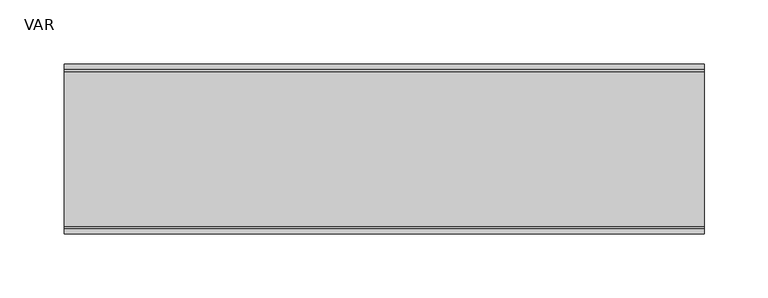
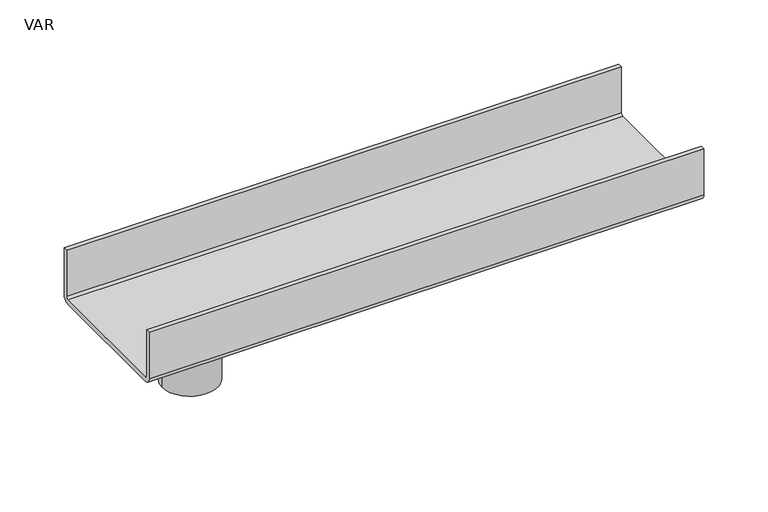
"""IFC4 building model written with IfcOpenShell, lengths in millimetres: sanitary terminal geometry, VAR."""

from ifc_helpers import new_model, si_unit, point, frame, frame_2d, origin, place, context, project, spatial, polyline, circle_curve, trimmed, segment, composite_curve, outline, extrude, source, transform, mapped, element, save


def var_151c0c0e(model_context):
    return source(origin(), model_context, "Body", "SweptSolid", [
        extrude(outline(composite_curve([segment(trimmed(circle_curve(frame_2d((60.5, -44.0)), 6.0), [point((66.5, -44.0))], [point((60.5, -50.0))], False, "CARTESIAN"), True, "CONTINUOUS"), segment(polyline([(60.5, -50.0), (-60.5, -50.0)]), True, "CONTINUOUS"), segment(trimmed(circle_curve(frame_2d((-60.5, -44.0)), 6.0), [point((-60.5, -50.0))], [point((-66.5, -44.0))], False, "CARTESIAN"), True, "CONTINUOUS"), segment(polyline([(-66.5, -44.0), (-66.5, 0.0), (-62.5, 0.0), (-62.5, -44.0)]), True, "CONTINUOUS"), segment(trimmed(circle_curve(frame_2d((-60.5, -44.0)), 2.0), [point((-62.5, -44.0))], [point((-60.5, -46.0))], True, "CARTESIAN"), True, "CONTINUOUS"), segment(polyline([(-60.5, -46.0), (60.5, -46.0)]), True, "CONTINUOUS"), segment(trimmed(circle_curve(frame_2d((60.5, -44.0)), 2.0), [point((60.5, -46.0))], [point((62.5, -44.0))], True, "CARTESIAN"), True, "CONTINUOUS"), segment(polyline([(62.5, -44.0), (62.5, 0.0), (66.5, 0.0), (66.5, -44.0)]), True, "CONTINUOUS")], self_intersect=False)), frame((0.0, 0.0, 0.0), z_axis=(1.0, 0.0, 0.0), x_axis=(0.0, 1.0, 0.0)), (0.0, 0.0, 1.0), 500.0),
        extrude(outline(composite_curve([segment(trimmed(circle_curve(frame_2d((75.0, 0.0)), 25.0), [point((50.0, 0.0))], [point((100.0, 0.0))], False, "CARTESIAN"), True, "CONTINUOUS"), segment(trimmed(circle_curve(frame_2d((75.0, 0.0)), 25.0), [point((100.0, 0.0))], [point((50.0, 0.0))], False, "CARTESIAN"), True, "CONTINUOUS")], self_intersect=False), holes=[composite_curve([segment(trimmed(circle_curve(frame_2d((75.0, 0.0)), 23.0), [point((52.0, 0.0))], [point((98.0, 0.0))], True, "CARTESIAN"), True, "CONTINUOUS"), segment(trimmed(circle_curve(frame_2d((75.0, 0.0)), 23.0), [point((98.0, 0.0))], [point((52.0, 0.0))], True, "CARTESIAN"), True, "CONTINUOUS")], self_intersect=False)]), frame((0.0, 0.0, -110.0), z_axis=(0.0, 0.0, 1.0), x_axis=(1.0, 0.0, 0.0)), (0.0, 0.0, 1.0), 60.0),
    ])


if __name__ == "__main__":
    model = new_model("IFC4")
    model_context = context("Model", 3, world=origin())
    ifc_project = project(units=[si_unit("LENGTHUNIT", "METRE", prefix="MILLI")], contexts=[model_context])
    site = spatial("IfcSite", under=ifc_project)
    building = spatial("IfcBuilding", under=site)
    placement = place(None, origin())
    var_shape = var_151c0c0e(model_context)
    element("IfcSanitaryTerminal", 1, ObjectType="VAR", at=placement, inside=building, context=model_context, shape_type="MappedRepresentation", body=[
        mapped(var_shape, transform((0.0, 0.0, 0.0), x_axis=(1.0, 0.0, 0.0), y_axis=(0.0, 1.0, 0.0), z_axis=(0.0, 0.0, 1.0))),
    ])
    save(model, "model.ifc")
